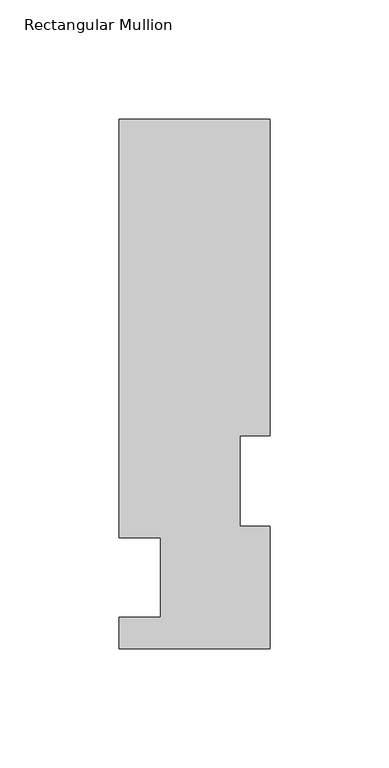
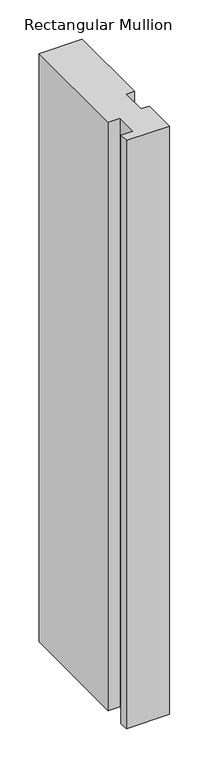
"""IFC4 building model written with IfcOpenShell, lengths in millimetres: member geometry, Rectangular Mullion."""

from ifc_helpers import new_model, si_unit, frame, origin, place, context, project, spatial, polyline, outline, extrude, source, transform, mapped, element, save


def rectangular_mullion_7b865492(model_context):
    return source(origin(), model_context, "Body", "SweptSolid", [
        extrude(outline(polyline([(-31.7500002, 222.5381313), (31.7499998, 222.5381313), (31.7499998, 89.5945313), (19.0500002, 89.5945313), (19.0500002, 51.4945313), (31.7500002, 51.4945313), (31.7500002, 0.2119314), (-31.7499998, 0.2119314), (-31.7499998, 13.3945314), (-14.2747998, 13.3945314), (-14.2747998, 46.7447312), (-31.7500002, 46.7447312), (-31.7500002, 222.5381313)])), frame((0.0, 0.0, -914.4), z_axis=(0.0, 0.0, 1.0), x_axis=(1.0, 0.0, 0.0)), (0.0, 0.0, 1.0), 914.4),
    ])


if __name__ == "__main__":
    model = new_model("IFC4")
    model_context = context("Model", 3, world=origin())
    ifc_project = project(units=[si_unit("LENGTHUNIT", "METRE", prefix="MILLI")], contexts=[model_context])
    site = spatial("IfcSite", under=ifc_project)
    building = spatial("IfcBuilding", under=site)
    placement = place(None, origin())
    rectangular_mullion_shape = rectangular_mullion_7b865492(model_context)
    element("IfcMember", 1, ObjectType="Rectangular Mullion", at=placement, inside=building, context=model_context, shape_type="MappedRepresentation", body=[
        mapped(rectangular_mullion_shape, transform((0.0, 0.0, 0.0), x_axis=(1.0, 0.0, 0.0), y_axis=(0.0, 1.0, 0.0), z_axis=(0.0, 0.0, 1.0))),
    ])
    save(model, "model.ifc")
